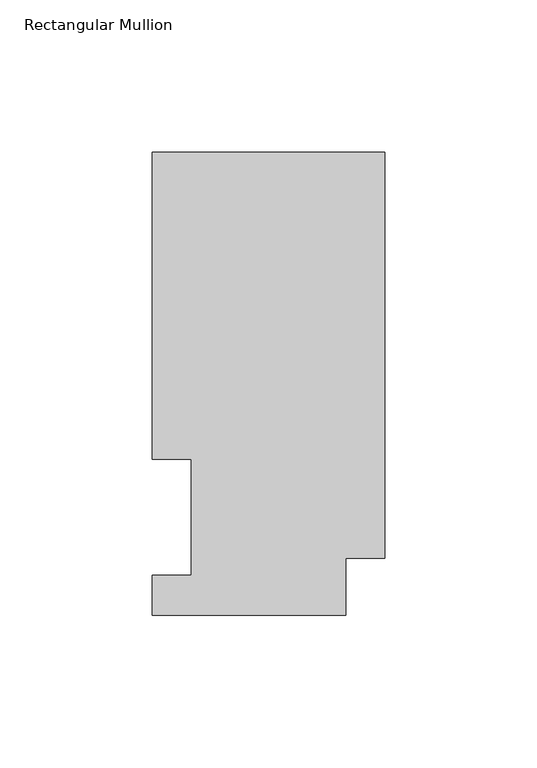
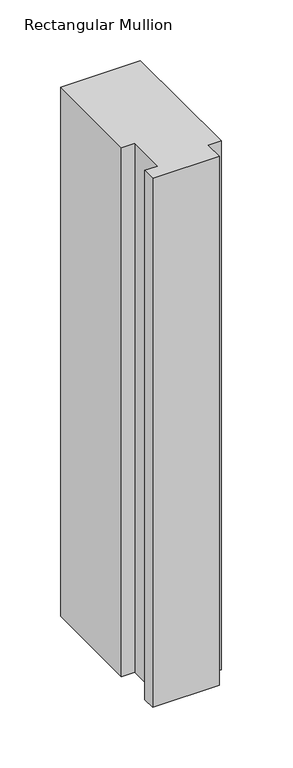
"""IFC4 building model written with IfcOpenShell, lengths in millimetres: member geometry, Rectangular Mullion."""

from ifc_helpers import new_model, si_unit, frame, origin, place, context, project, spatial, polyline, outline, extrude, source, transform, mapped, element, save


def rectangular_mullion_df3a29a8(model_context):
    return source(origin(), model_context, "Body", "SweptSolid", [
        extrude(outline(polyline([(0.0, 151.9816938), (0.0, 18.7332938), (-12.7, 18.7332938), (-12.7, 0.0134937), (-76.2, 0.0134937), (-76.2, 13.1960937), (-63.5, 13.1960937), (-63.5, 51.2960937), (-76.2, 51.2960937), (-76.2, 151.9816937), (0.0, 151.9816938)])), frame((0.0, 0.0, -533.4134938), z_axis=(0.0, 0.0, 1.0), x_axis=(1.0, 0.0, 0.0)), (0.0, 0.0, 1.0), 533.4134938),
    ])


if __name__ == "__main__":
    model = new_model("IFC4")
    model_context = context("Model", 3, world=origin())
    ifc_project = project(units=[si_unit("LENGTHUNIT", "METRE", prefix="MILLI")], contexts=[model_context])
    site = spatial("IfcSite", under=ifc_project)
    building = spatial("IfcBuilding", under=site)
    placement = place(None, origin())
    rectangular_mullion_shape = rectangular_mullion_df3a29a8(model_context)
    element("IfcMember", 1, ObjectType="Rectangular Mullion", at=placement, inside=building, context=model_context, shape_type="MappedRepresentation", body=[
        mapped(rectangular_mullion_shape, transform((0.0, 0.0, 0.0), x_axis=(1.0, 0.0, 0.0), y_axis=(0.0, 1.0, 0.0), z_axis=(0.0, 0.0, 1.0))),
    ])
    save(model, "model.ifc")
